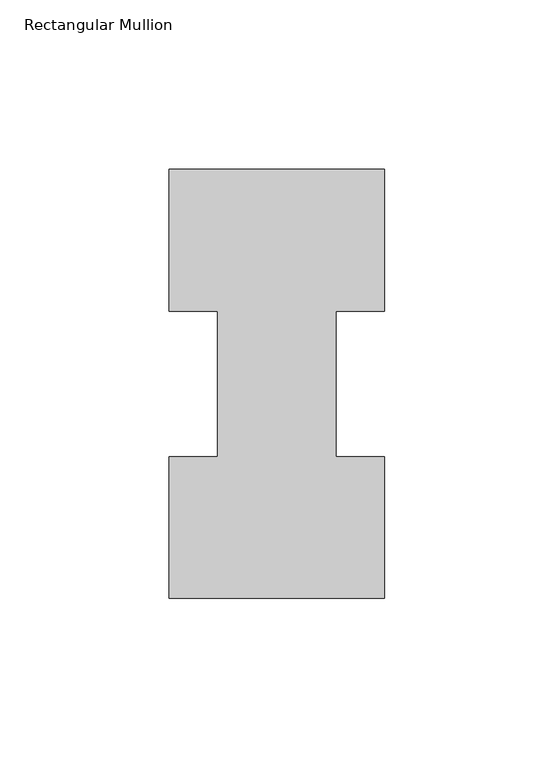
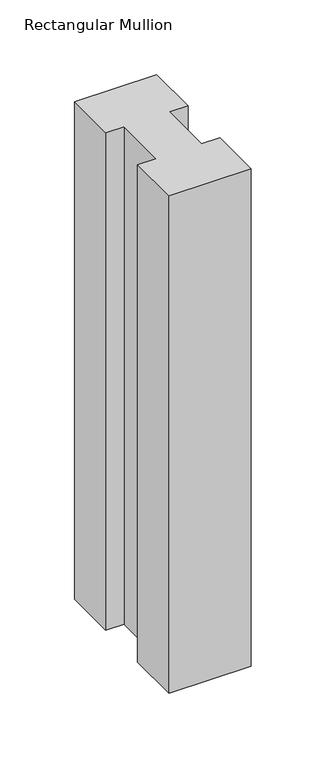
"""IFC4 building model written with IfcOpenShell, lengths in millimetres: member geometry, Rectangular Mullion."""

from ifc_helpers import new_model, si_unit, frame, origin, place, context, project, spatial, polyline, outline, extrude, source, transform, mapped, element, save


def rectangular_mullion_4645c4a7(model_context):
    return source(origin(), model_context, "Body", "SweptSolid", [
        extrude(outline(polyline([(-63.5, 0.2967757), (-63.5, 42.1178757), (-49.2125, 42.1178757), (-49.2125, 84.93125), (-63.5, 84.93125), (-63.5, 126.7887757), (0.0, 126.7887757), (0.0, 84.93125), (-14.2748, 84.93125), (-14.2748, 42.1178757), (0.0, 42.1178757), (0.0, 0.2967757), (-63.5, 0.2967757)])), frame((0.0, 0.0, -406.4), z_axis=(0.0, 0.0, 1.0), x_axis=(1.0, 0.0, 0.0)), (0.0, 0.0, 1.0), 406.4),
    ])


if __name__ == "__main__":
    model = new_model("IFC4")
    model_context = context("Model", 3, world=origin())
    ifc_project = project(units=[si_unit("LENGTHUNIT", "METRE", prefix="MILLI")], contexts=[model_context])
    site = spatial("IfcSite", under=ifc_project)
    building = spatial("IfcBuilding", under=site)
    placement = place(None, origin())
    rectangular_mullion_shape = rectangular_mullion_4645c4a7(model_context)
    element("IfcMember", 1, ObjectType="Rectangular Mullion", at=placement, inside=building, context=model_context, shape_type="MappedRepresentation", body=[
        mapped(rectangular_mullion_shape, transform((0.0, 0.0, 0.0), x_axis=(1.0, 0.0, 0.0), y_axis=(0.0, 1.0, 0.0), z_axis=(0.0, 0.0, 1.0))),
    ])
    save(model, "model.ifc")
